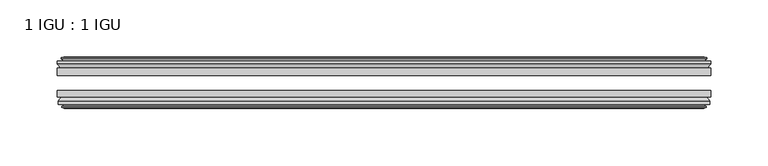
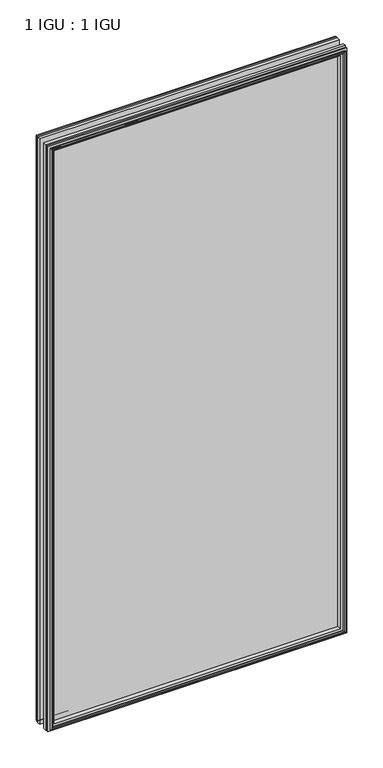
"""IFC4 building model written with IfcOpenShell, lengths in millimetres: plate geometry, 1 IGU : 1 IGU."""

from ifc_helpers import new_model, si_unit, frame, origin, place, context, project, spatial, polyline, outline, extrude, faceted_brep, source, transform, mapped, element, save


def plate_1_igu_1_igu_67bcdf92(model_context):
    return source(origin(), model_context, "Body", "SolidModel", [
        extrude(outline(polyline([(285.7499997, -25.8960937), (285.7499997, -32.2460938), (-285.7499997, -32.2460938), (-285.7499997, -25.8960937), (285.7499997, -25.8960937)])), frame((0.0, 0.0, -12.7), z_axis=(0.0, 0.0, 1.0), x_axis=(1.0, 0.0, 0.0)), (0.0, 0.0, 1.0), 1181.1),
        extrude(outline(polyline([(-285.7499997, -51.2960938), (-285.7499997, -45.2686737), (285.7499997, -45.2686737), (285.7499997, -51.2960938), (-285.7499997, -51.2960938)])), frame((0.0, 0.0, -12.7), z_axis=(0.0, 0.0, 1.0), x_axis=(1.0, 0.0, 0.0)), (0.0, 0.0, 1.0), 1181.1),
        faceted_brep([(-280.1619997, -60.0262907, 1162.812), (-280.5429997, -57.6460937, 1163.193), (-280.5429997, -57.6460937, -7.493), (-280.1619997, -60.0262907, -7.112), (-281.5775287, -59.5663575, 1164.2275291), (-281.5775287, -59.5663575, -8.5275291), (-281.5775287, -60.3675717, 1164.2275291), (-281.5775287, -60.3675717, -8.5275291), (-279.3999997, -61.0750937, 1162.05), (-279.3999997, -61.0750937, -6.35), (-277.2224706, -60.3675717, 1159.8724709), (-277.2224706, -60.3675717, -4.1724709), (-277.2224706, -59.5663575, 1159.8724709), (-277.2224706, -59.5663575, -4.1724709), (-278.6379997, -60.0262907, 1161.288), (-278.6379997, -60.0262907, -5.588), (-278.2569997, -57.6460937, 1160.907), (-278.2569997, -57.6460937, -5.207), (-271.3322816, -51.2960937, 1153.9822819), (-273.0499997, -57.6460937, 1155.7), (-273.0499997, -57.6460937, 0.0), (-271.3322816, -51.2960937, 1.7177181), (-284.9879997, -54.6996937, 1167.638), (-282.1536575, -51.2960937, 1164.8036578), (-282.1536575, -51.2960937, -9.1036578), (-284.9879997, -54.6996937, -11.938), (-284.9879997, -57.6460937, 1167.638), (-284.9879997, -57.6460937, -11.938), (280.5429997, -57.6460938, -7.493), (280.1619997, -60.0262907, -7.112), (281.5775287, -59.5663575, -8.5275291), (281.5775287, -60.3675717, -8.5275291), (279.3999997, -61.0750937, -6.35), (277.2224706, -60.3675717, -4.1724709), (277.2224706, -59.5663575, -4.1724709), (278.6379997, -60.0262907, -5.588), (278.2569997, -57.6460937, -5.207), (273.0499997, -57.6460937, 0.0), (271.3322816, -51.2960937, 1.7177181), (282.1536575, -51.2960937, -9.1036578), (284.9879997, -54.6996937, -11.938), (284.9879997, -57.6460938, -11.938), (280.5429997, -57.6460938, 1163.193), (280.1619997, -60.0262907, 1162.812), (281.5775287, -59.5663575, 1164.2275291), (281.5775287, -60.3675717, 1164.2275291), (279.3999997, -61.0750937, 1162.05), (277.2224706, -60.3675717, 1159.8724709), (277.2224706, -59.5663575, 1159.8724709), (278.6379997, -60.0262907, 1161.288), (278.2569997, -57.6460937, 1160.907), (273.0499997, -57.6460937, 1155.7), (271.3322816, -51.2960937, 1153.9822819), (282.1536575, -51.2960937, 1164.8036578), (284.9879997, -54.6996937, 1167.638), (284.9879997, -57.6460938, 1167.638)], [[[0, 1, 2, 3]], [[4, 0, 3, 5]], [[6, 4, 5, 7]], [[8, 6, 7, 9]], [[10, 8, 9, 11]], [[12, 10, 11, 13]], [[14, 12, 13, 15]], [[16, 14, 15, 17]], [[18, 19, 20, 21]], [[22, 23, 24, 25]], [[26, 22, 25, 27]], [[3, 2, 28, 29]], [[5, 3, 29, 30]], [[7, 5, 30, 31]], [[9, 7, 31, 32]], [[11, 9, 32, 33]], [[13, 11, 33, 34]], [[15, 13, 34, 35]], [[17, 15, 35, 36]], [[21, 20, 37, 38]], [[25, 24, 39, 40]], [[27, 25, 40, 41]], [[29, 28, 42, 43]], [[30, 29, 43, 44]], [[31, 30, 44, 45]], [[32, 31, 45, 46]], [[33, 32, 46, 47]], [[34, 33, 47, 48]], [[35, 34, 48, 49]], [[36, 35, 49, 50]], [[38, 37, 51, 52]], [[40, 39, 53, 54]], [[41, 40, 54, 55]], [[27, 41, 55, 26], [1, 42, 28, 2]], [[43, 42, 1, 0]], [[44, 43, 0, 4]], [[45, 44, 4, 6]], [[46, 45, 6, 8]], [[47, 46, 8, 10]], [[48, 47, 10, 12]], [[49, 48, 12, 14]], [[50, 49, 14, 16]], [[17, 36, 50, 16], [19, 51, 37, 20]], [[52, 51, 19, 18]], [[23, 53, 39, 24], [21, 38, 52, 18]], [[54, 53, 23, 22]], [[55, 54, 22, 26]]]),
        faceted_brep([(-282.6743575, -25.8960937, 1165.3243578), (-285.5086997, -22.4924937, 1168.1587), (-285.5086997, -22.4924937, -12.4587), (-282.6743575, -25.8960937, -9.6243578), (-273.5706997, -19.5460937, 1156.2207), (-271.8529816, -25.8960937, 1154.5029819), (-271.8529816, -25.8960937, 1.1970181), (-273.5706997, -19.5460937, -0.5207), (-279.1586997, -17.1658968, 1161.8087), (-278.7776997, -19.5460937, 1161.4277), (-278.7776997, -19.5460937, -5.7277), (-279.1586997, -17.1658968, -6.1087), (-277.7431706, -17.62583, 1160.3931709), (-277.7431706, -17.62583, -4.6931709), (-277.7431706, -16.8246158, 1160.3931709), (-277.7431706, -16.8246158, -4.6931709), (-279.9206997, -16.1170937, 1162.5707), (-279.9206997, -16.1170937, -6.8707), (-282.0982287, -16.8246158, 1164.7482291), (-282.0982287, -16.8246158, -9.0482291), (-282.0982287, -17.62583, 1164.7482291), (-282.0982287, -17.62583, -9.0482291), (-280.6826997, -17.1658968, 1163.3327), (-280.6826997, -17.1658968, -7.6327), (-281.0636997, -19.5460937, 1163.7137), (-281.0636997, -19.5460937, -8.0137), (-285.5086997, -19.5460937, 1168.1587), (-285.5086997, -19.5460937, -12.4587), (285.5086997, -22.4924937, -12.4587), (282.6743575, -25.8960937, -9.6243578), (271.8529816, -25.8960937, 1.1970181), (273.5706997, -19.5460937, -0.5207), (278.7776997, -19.5460937, -5.7277), (279.1586997, -17.1658968, -6.1087), (277.7431706, -17.62583, -4.6931709), (277.7431706, -16.8246158, -4.6931709), (279.9206997, -16.1170937, -6.8707), (282.0982287, -16.8246158, -9.0482291), (282.0982287, -17.62583, -9.0482291), (280.6826997, -17.1658968, -7.6327), (281.0636997, -19.5460937, -8.0137), (285.5086997, -19.5460937, -12.4587), (285.5086997, -22.4924937, 1168.1587), (282.6743575, -25.8960937, 1165.3243578), (271.8529816, -25.8960937, 1154.5029819), (273.5706997, -19.5460937, 1156.2207), (278.7776997, -19.5460937, 1161.4277), (279.1586997, -17.1658968, 1161.8087), (277.7431706, -17.62583, 1160.3931709), (277.7431706, -16.8246158, 1160.3931709), (279.9206997, -16.1170937, 1162.5707), (282.0982287, -16.8246158, 1164.7482291), (282.0982287, -17.62583, 1164.7482291), (280.6826997, -17.1658968, 1163.3327), (281.0636997, -19.5460937, 1163.7137), (285.5086997, -19.5460937, 1168.1587)], [[[0, 1, 2, 3]], [[4, 5, 6, 7]], [[8, 9, 10, 11]], [[12, 8, 11, 13]], [[14, 12, 13, 15]], [[16, 14, 15, 17]], [[18, 16, 17, 19]], [[20, 18, 19, 21]], [[22, 20, 21, 23]], [[24, 22, 23, 25]], [[1, 26, 27, 2]], [[3, 2, 28, 29]], [[7, 6, 30, 31]], [[11, 10, 32, 33]], [[13, 11, 33, 34]], [[15, 13, 34, 35]], [[17, 15, 35, 36]], [[19, 17, 36, 37]], [[21, 19, 37, 38]], [[23, 21, 38, 39]], [[25, 23, 39, 40]], [[2, 27, 41, 28]], [[29, 28, 42, 43]], [[31, 30, 44, 45]], [[33, 32, 46, 47]], [[34, 33, 47, 48]], [[35, 34, 48, 49]], [[36, 35, 49, 50]], [[37, 36, 50, 51]], [[38, 37, 51, 52]], [[39, 38, 52, 53]], [[40, 39, 53, 54]], [[28, 41, 55, 42]], [[43, 42, 1, 0]], [[3, 29, 43, 0], [5, 44, 30, 6]], [[45, 44, 5, 4]], [[9, 46, 32, 10], [7, 31, 45, 4]], [[47, 46, 9, 8]], [[48, 47, 8, 12]], [[49, 48, 12, 14]], [[50, 49, 14, 16]], [[51, 50, 16, 18]], [[52, 51, 18, 20]], [[53, 52, 20, 22]], [[54, 53, 22, 24]], [[26, 55, 41, 27], [25, 40, 54, 24]], [[42, 55, 26, 1]]]),
    ])


if __name__ == "__main__":
    model = new_model("IFC4")
    model_context = context("Model", 3, world=origin())
    ifc_project = project(units=[si_unit("LENGTHUNIT", "METRE", prefix="MILLI")], contexts=[model_context])
    site = spatial("IfcSite", under=ifc_project)
    building = spatial("IfcBuilding", under=site)
    placement = place(None, origin())
    plate_1_igu_1_igu_shape = plate_1_igu_1_igu_67bcdf92(model_context)
    element("IfcPlate", 1, ObjectType="1 IGU : 1 IGU", at=placement, inside=building, context=model_context, shape_type="MappedRepresentation", body=[
        mapped(plate_1_igu_1_igu_shape, transform((0.0, 0.0, 0.0), x_axis=(1.0, 0.0, 0.0), y_axis=(0.0, 1.0, 0.0), z_axis=(0.0, 0.0, 1.0))),
    ])
    save(model, "model.ifc")
